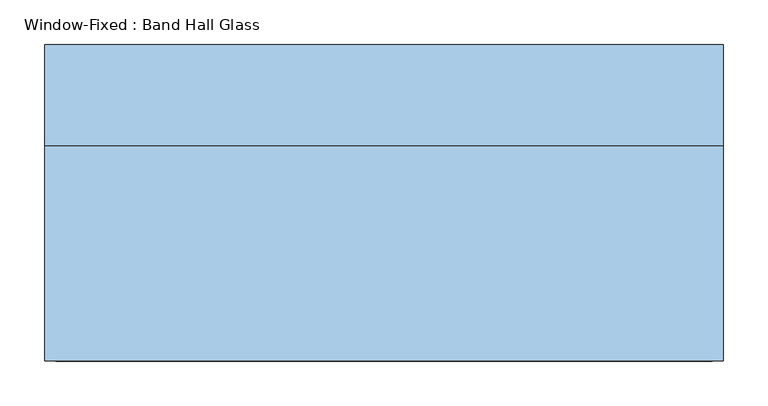
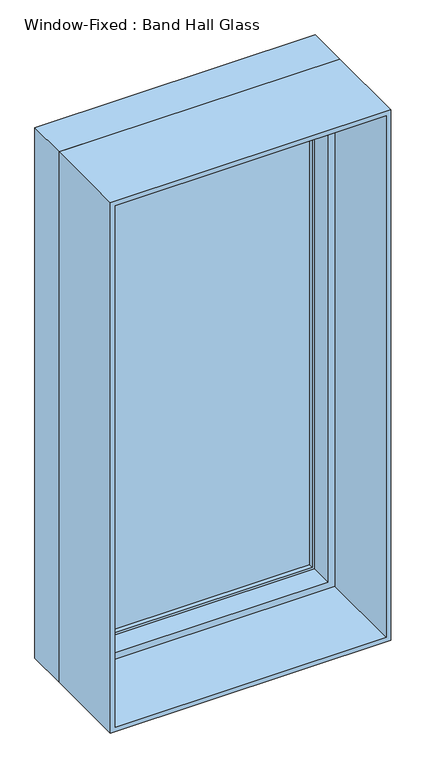
"""IFC4 building model written with IfcOpenShell, lengths in millimetres: window geometry, Window-Fixed : Band Hall Glass."""

from ifc_helpers import new_model, si_unit, frame, origin, place, context, project, spatial, polyline, outline, extrude, faceted_brep, source, transform, mapped, element, save


def window_fixed_band_hall_glass_85dec98a(model_context):
    return source(origin(), model_context, "Body", "SolidModel", [
        extrude(outline(polyline([(342.9, 168.275), (342.9, 161.925), (-342.9, 161.925), (-342.9, 168.275), (342.9, 168.275)])), frame((0.0, 0.0, 952.5), z_axis=(0.0, 0.0, 1.0), x_axis=(1.0, 0.0, 0.0)), (0.0, 0.0, 1.0), 1447.8),
        extrude(outline(polyline([(-342.9, 149.225), (-342.9, 155.575), (342.9, 155.575), (342.9, 149.225), (-342.9, 149.225)])), frame((0.0, 0.0, 952.5), z_axis=(0.0, 0.0, 1.0), x_axis=(1.0, 0.0, 0.0)), (0.0, 0.0, 1.0), 1447.8),
        extrude(outline(polyline([(927.1, 368.3), (2425.7, 368.3), (2425.7, -368.3), (927.1, -368.3), (927.1, 368.3)]), holes=[polyline([(952.5, -342.9), (2400.3, -342.9), (2400.3, 342.9), (952.5, 342.9), (952.5, -342.9)])]), frame((0.0, 136.525, 0.0), z_axis=(0.0, 1.0, 0.0), x_axis=(0.0, 0.0, 1.0)), (0.0, 0.0, 1.0), 44.45),
        extrude(outline(polyline([(2438.4, -381.0), (914.4, -381.0), (914.4, 381.0), (2438.4, 381.0), (2438.4, -381.0)]), holes=[polyline([(2425.7, 368.3), (927.1, 368.3), (927.1, -368.3), (2425.7, -368.3), (2425.7, 368.3)])]), frame((0.0, -168.275, 0.0), z_axis=(0.0, 1.0, 0.0), x_axis=(0.0, 0.0, 1.0)), (0.0, 0.0, 1.0), 241.3),
        faceted_brep([(381.0, 73.025, 2438.4), (381.0, 187.325, 2438.4), (-381.0, 187.325, 2438.4), (-381.0, 73.025, 2438.4), (-381.0, 187.325, 914.4), (-381.0, 73.025, 914.4), (381.0, 187.325, 914.4), (381.0, 73.025, 914.4), (349.25, 73.025, 2406.65), (349.25, 73.025, 946.15), (-349.25, 73.025, 946.15), (-349.25, 73.025, 2406.65), (-368.3, 187.325, 2425.7), (-368.3, 187.325, 927.1), (368.3, 187.325, 927.1), (368.3, 187.325, 2425.7), (349.25, 136.525, 2406.65), (-349.25, 136.525, 2406.65), (368.3, 136.525, 2425.7), (-368.3, 136.525, 2425.7), (-349.25, 136.525, 946.15), (-368.3, 136.525, 927.1), (349.25, 136.525, 946.15), (368.3, 136.525, 927.1)], [[[0, 1, 2, 3]], [[3, 2, 4, 5]], [[5, 4, 6, 7]], [[3, 5, 7, 0], [8, 9, 10, 11]], [[7, 6, 1, 0]], [[1, 6, 4, 2], [12, 13, 14, 15]], [[16, 8, 11, 17]], [[15, 18, 19, 12]], [[17, 11, 10, 20]], [[12, 19, 21, 13]], [[20, 10, 9, 22]], [[13, 21, 23, 14]], [[22, 9, 8, 16]], [[18, 23, 21, 19], [17, 20, 22, 16]], [[14, 23, 18, 15]]]),
    ])


if __name__ == "__main__":
    model = new_model("IFC4")
    model_context = context("Model", 3, world=origin())
    ifc_project = project(units=[si_unit("LENGTHUNIT", "METRE", prefix="MILLI")], contexts=[model_context])
    site = spatial("IfcSite", under=ifc_project)
    building = spatial("IfcBuilding", under=site)
    placement = place(None, origin())
    window_fixed_band_hall_glass_shape = window_fixed_band_hall_glass_85dec98a(model_context)
    element("IfcWindow", 1, ObjectType="Window-Fixed : Band Hall Glass", at=placement, inside=building, context=model_context, shape_type="MappedRepresentation", body=[
        mapped(window_fixed_band_hall_glass_shape, transform((0.0, 0.0, 0.0), x_axis=(1.0, 0.0, 0.0), y_axis=(0.0, 1.0, 0.0), z_axis=(0.0, 0.0, 1.0))),
    ])
    save(model, "model.ifc")
